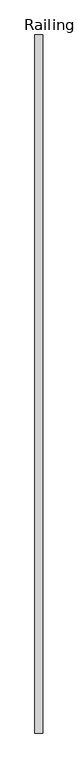
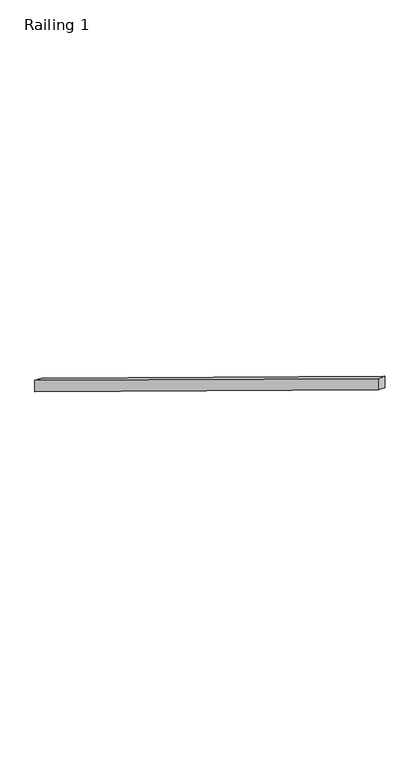
"""IFC4 building model written with IfcOpenShell, lengths in millimetres: railing geometry, Railing 1."""

import ifcopenshell
import ifcopenshell.guid

model = None  # the IFC model being written
_history = None  # IfcOwnerHistory: only IFC2X3 demands one
_inside = {}  # id of a spatial element -> (the spatial element, [elements in it])
_under = {}  # id of a project, library or spatial element -> (it, [spatial elements below it])
_declared = {}  # id of a project -> (the project, [libraries it declares])
_typed = {}  # id of a type object -> (the type object, [elements of that type])
_made_of = {}  # id of a material, layer set ... -> (it, [elements and type objects made of it])


def new_model(schema):
    """Start an empty IFC model of exactly this schema.

    Asked for "IFC4X3", IfcOpenShell would pick the latest addendum, in which some entities
    have other attributes; the version numbers below select the first issue.
    IFC2X3 requires an IfcOwnerHistory on every rooted entity: one is made here for all.
    """
    global model, _history
    if schema == "IFC4X3":
        model = ifcopenshell.file(schema_version=(4, 3, 0, 0))
    else:
        model = ifcopenshell.file(schema=schema)
    _inside.clear()
    _under.clear()
    _declared.clear()
    _typed.clear()
    _made_of.clear()
    _history = None
    if model.schema == "IFC2X3":
        org = make("IfcOrganization", Name="unknown")
        user = make(
            "IfcPersonAndOrganization",
            ThePerson=make("IfcPerson", FamilyName="unknown"),
            TheOrganization=org,
        )
        app = make(
            "IfcApplication",
            ApplicationDeveloper=org,
            Version="unknown",
            ApplicationFullName="unknown",
            ApplicationIdentifier="unknown",
        )
        _history = make(
            "IfcOwnerHistory",
            OwningUser=user,
            OwningApplication=app,
            ChangeAction="ADDED",
            CreationDate=0,
        )
    return model


def make(cls, **values):
    """One entity of the class cls with the attributes given. An attribute that is None is left unset."""
    return model.create_entity(
        cls, **{name: value for name, value in values.items() if value is not None}
    )


def rooted(cls, **values):
    """An entity with a GlobalId (a new one), such as an element, a storey or a relation."""
    return make(cls, GlobalId=ifcopenshell.guid.new(), OwnerHistory=_history, **values)


def si_unit(unit_type, name, prefix=None):
    """IfcSIUnit, for example si_unit("LENGTHUNIT", "METRE", prefix="MILLI")."""
    return make("IfcSIUnit", UnitType=unit_type, Prefix=prefix, Name=name)


def assignment(units):
    """IfcUnitAssignment: the units of a project."""
    return None if units is None else make("IfcUnitAssignment", Units=units)


def point(xyz):
    """IfcCartesianPoint."""
    return None if xyz is None else make("IfcCartesianPoint", Coordinates=xyz)


def direction(xyz):
    """IfcDirection."""
    return None if xyz is None else make("IfcDirection", DirectionRatios=xyz)


def frame(location, z_axis=None, x_axis=None):
    """IfcAxis2Placement3D, a coordinate frame: its origin and axes. An axis left out is left unset."""
    return make(
        "IfcAxis2Placement3D",
        Location=point(location),
        Axis=direction(z_axis),
        RefDirection=direction(x_axis),
    )


def origin():
    """The frame at (0, 0, 0) with its axes left unset."""
    return frame((0.0, 0.0, 0.0))


def place(relative_to, where):
    """IfcLocalPlacement: puts the frame where relative to a parent placement (None: the world)."""
    return make(
        "IfcLocalPlacement", PlacementRelTo=relative_to, RelativePlacement=where
    )


def context(
    kind, dimensions, precision=None, world=None, true_north=None, identifier=None
):
    """IfcGeometricRepresentationContext, for example the 3D "Model" context."""
    return make(
        "IfcGeometricRepresentationContext",
        ContextIdentifier=identifier,
        ContextType=kind,
        CoordinateSpaceDimension=dimensions,
        Precision=precision,
        WorldCoordinateSystem=world,
        TrueNorth=true_north,
    )


def project(units=None, contexts=None):
    """IfcProject with its units and contexts."""
    return rooted(
        "IfcProject",
        Name="project",
        RepresentationContexts=contexts,
        UnitsInContext=assignment(units),
    )


def spatial(cls, under=None, at=None, **own):
    """A site, building, storey or space (cls), placed at a placement, below another one or the project."""
    s = rooted(cls, ObjectPlacement=at, **own)
    if under is not None:
        _under.setdefault(under.id(), (under, []))[1].append(s)
    return s


def polyline(points):
    """IfcPolyline through the points."""
    return make("IfcPolyline", Points=[point(p) for p in points])


def outline(outer, holes=None, kind="AREA"):
    """IfcArbitraryClosedProfileDef: a profile drawn as a closed curve; with holes, ...WithVoids."""
    if holes is None:
        return make("IfcArbitraryClosedProfileDef", ProfileType=kind, OuterCurve=outer)
    return make(
        "IfcArbitraryProfileDefWithVoids",
        ProfileType=kind,
        OuterCurve=outer,
        InnerCurves=holes,
    )


def extrude(swept, where, along, depth):
    """IfcExtrudedAreaSolid: the profile swept, set in the frame where, extruded along a direction by depth."""
    return make(
        "IfcExtrudedAreaSolid",
        SweptArea=swept,
        Position=where,
        ExtrudedDirection=direction(along),
        Depth=depth,
    )


def shape(context_of_items, identifier, shape_type, items):
    """IfcShapeRepresentation: the items that make up one representation, for example the "Body"."""
    return make(
        "IfcShapeRepresentation",
        ContextOfItems=context_of_items,
        RepresentationIdentifier=identifier,
        RepresentationType=shape_type,
        Items=items,
    )


def source(mapping_origin, context_of_items, identifier, shape_type, items):
    """IfcRepresentationMap: a shape defined once, which mapped items show again and again."""
    return make(
        "IfcRepresentationMap",
        MappingOrigin=mapping_origin,
        MappedRepresentation=shape(context_of_items, identifier, shape_type, items),
    )


def transform(
    local_origin,
    x_axis=None,
    y_axis=None,
    z_axis=None,
    scale=None,
    scale2=None,
    scale3=None,
    uniform=True,
):
    """IfcCartesianTransformationOperator3D, or its non-uniform kind. x_axis, y_axis, z_axis: its Axis1, 2, 3."""
    if uniform:
        return make(
            "IfcCartesianTransformationOperator3D",
            Axis1=direction(x_axis),
            Axis2=direction(y_axis),
            LocalOrigin=point(local_origin),
            Scale=scale,
            Axis3=direction(z_axis),
        )
    return make(
        "IfcCartesianTransformationOperator3DnonUniform",
        Axis1=direction(x_axis),
        Axis2=direction(y_axis),
        LocalOrigin=point(local_origin),
        Scale=scale,
        Axis3=direction(z_axis),
        Scale2=scale2,
        Scale3=scale3,
    )


def mapped(mapping_source, mapping_target):
    """IfcMappedItem: shows the shape of a source again, moved by a transform."""
    return make(
        "IfcMappedItem", MappingSource=mapping_source, MappingTarget=mapping_target
    )


def made_of(thing, what):
    """Note that an element or type object is made of a material, layer set ...; save() writes the relation."""
    if what is not None:
        _made_of.setdefault(what.id(), (what, []))[1].append(thing)
    return thing


def element(
    cls,
    number,
    at=None,
    inside=None,
    cuts=None,
    type_object=None,
    material=None,
    context=None,
    identifier="Body",
    shape_type=None,
    held_by="IfcProductDefinitionShape",
    body=None,
    shapes=None,
    **own,
):
    """One element of the class cls, such as IfcWall. Its Tag is "e" and its number.

    at: its placement. inside: the storey or other place that contains it. cuts: it is an
    opening in that element (IfcRelVoidsElement). A single representation is given by context,
    identifier, shape_type and body (its items); several are given by shapes. held_by: the class
    of the entity that holds the representations. save() writes the other relations.
    """
    e = rooted(cls, Tag="e%d" % number, ObjectPlacement=at, **own)
    if body is not None:
        shapes = [shape(context, identifier, shape_type, body)]
    if shapes is not None:
        e.Representation = make(held_by, Representations=shapes)
    if inside is not None:
        _inside.setdefault(inside.id(), (inside, []))[1].append(e)
    if cuts is not None:
        rooted(
            "IfcRelVoidsElement", RelatingBuildingElement=cuts, RelatedOpeningElement=e
        )
    if type_object is not None:
        _typed.setdefault(type_object.id(), (type_object, []))[1].append(e)
    return made_of(e, material)


def aggregate(whole, parts):
    """IfcRelAggregates: a whole, such as a stair, and the parts it consists of."""
    return rooted("IfcRelAggregates", RelatingObject=whole, RelatedObjects=parts)


def save(model, path):
    """Write the relations noted so far, then the file.

    IfcRelAggregates (storeys below a building ...), IfcRelContainedInSpatialStructure (elements
    in a storey), IfcRelDefinesByType, IfcRelAssociatesMaterial and IfcRelDeclares: one each for
    every whole, place, type object, material and project.
    """
    for whole, parts in _under.values():
        aggregate(whole, parts)
    for where, things in _inside.values():
        rooted(
            "IfcRelContainedInSpatialStructure",
            RelatedElements=things,
            RelatingStructure=where,
        )
    for kind, things in _typed.values():
        rooted("IfcRelDefinesByType", RelatedObjects=things, RelatingType=kind)
    for what, things in _made_of.values():
        rooted("IfcRelAssociatesMaterial", RelatedObjects=things, RelatingMaterial=what)
    for by, libraries in _declared.values():
        rooted("IfcRelDeclares", RelatingContext=by, RelatedDefinitions=libraries)
    model.write(path)


def railing_1_f511e7fb(model_context):
    return source(origin(), model_context, "Body", "SweptSolid", [
        extrude(outline(polyline([(178822.6564205, 1228.4891807), (178822.6564205, 1139.2458145), (174352.2564205, 3864.5246025), (174352.2564205, 3953.7679687), (178822.6564205, 1228.4891807)])), frame((222114.2478488, 0.0, 0.0), z_axis=(1.0, 0.0, 0.0), x_axis=(0.0, 1.0, 0.0)), (0.0, 0.0, 1.0), 50.8),
    ])


if __name__ == "__main__":
    model = new_model("IFC4")
    model_context = context("Model", 3, world=origin())
    ifc_project = project(units=[si_unit("LENGTHUNIT", "METRE", prefix="MILLI")], contexts=[model_context])
    site = spatial("IfcSite", under=ifc_project)
    building = spatial("IfcBuilding", under=site)
    placement = place(None, origin())
    railing_1_shape = railing_1_f511e7fb(model_context)
    element("IfcRailing", 1, ObjectType="Railing 1", at=placement, inside=building, context=model_context, shape_type="MappedRepresentation", body=[
        mapped(railing_1_shape, transform((0.0, 0.0, 0.0), x_axis=(1.0, 0.0, 0.0), y_axis=(0.0, 1.0, 0.0), z_axis=(0.0, 0.0, 1.0))),
    ])
    save(model, "model.ifc")
